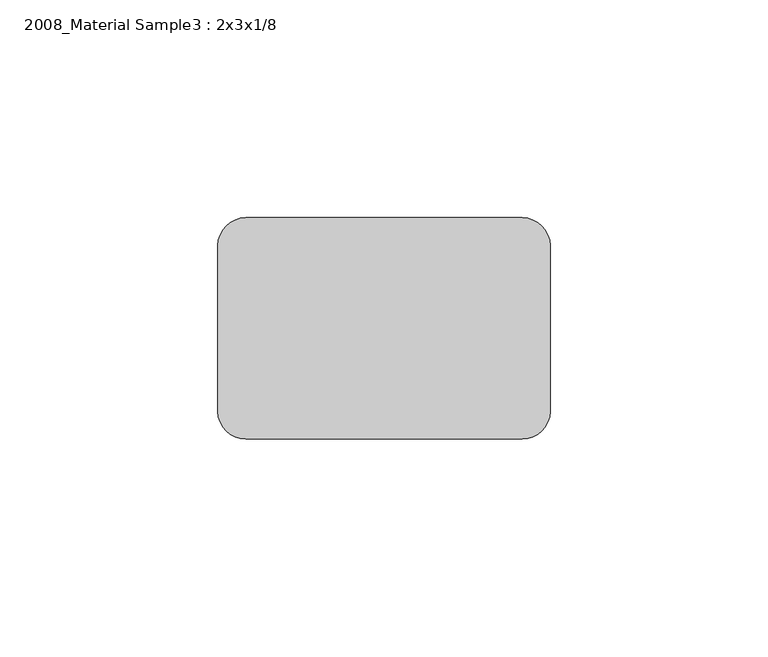
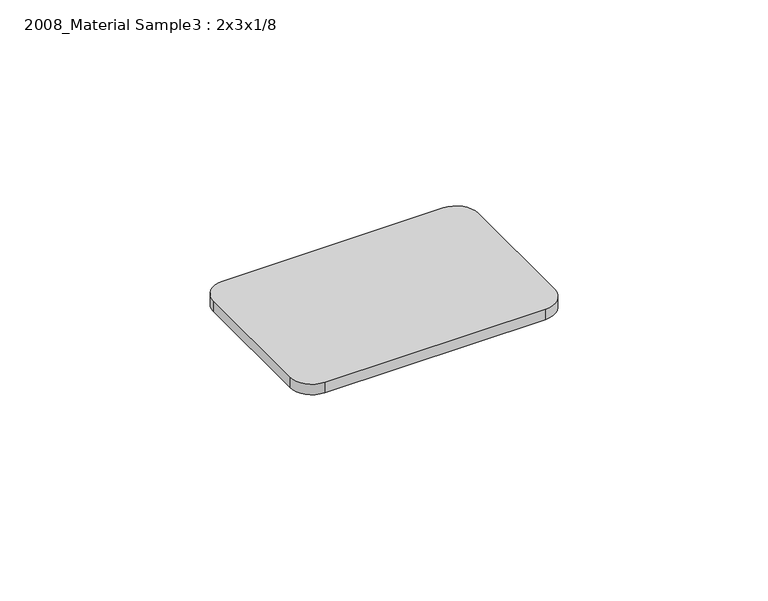
"""IFC4 building model written with IfcOpenShell, lengths in millimetres: furniture geometry, 2008_Material Sample3 : 2x3x1/8."""

from ifc_helpers import new_model, si_unit, point, frame, frame_2d, origin, place, context, project, spatial, polyline, circle_curve, trimmed, segment, composite_curve, outline, extrude, source, transform, mapped, element, save


def furniture_2008_material_sample3_2x3x1_8_86bb07f5(model_context):
    return source(origin(), model_context, "Body", "SweptSolid", [
        extrude(outline(composite_curve([segment(trimmed(circle_curve(frame_2d((21062.8392185, 10710.2982463)), 6.35), [point((21062.8392185, 10716.6482463))], [point((21069.1892185, 10710.2982463))], False, "CARTESIAN"), True, "CONTINUOUS"), segment(polyline([(21069.1892185, 10710.2982463), (21069.1892185, 10672.1982463)]), True, "CONTINUOUS"), segment(trimmed(circle_curve(frame_2d((21062.8392185, 10672.1982463)), 6.35), [point((21069.1892185, 10672.1982463))], [point((21062.8392185, 10665.8482463))], False, "CARTESIAN"), True, "CONTINUOUS"), segment(polyline([(21062.8392185, 10665.8482463), (20999.3392185, 10665.8482463)]), True, "CONTINUOUS"), segment(trimmed(circle_curve(frame_2d((20999.3392185, 10672.1982463)), 6.35), [point((20999.3392185, 10665.8482463))], [point((20992.9892185, 10672.1982463))], False, "CARTESIAN"), True, "CONTINUOUS"), segment(polyline([(20992.9892185, 10672.1982463), (20992.9892185, 10710.2982463)]), True, "CONTINUOUS"), segment(trimmed(circle_curve(frame_2d((20999.3392185, 10710.2982463)), 6.35), [point((20992.9892185, 10710.2982463))], [point((20999.3392185, 10716.6482463))], False, "CARTESIAN"), True, "CONTINUOUS"), segment(polyline([(20999.3392185, 10716.6482463), (21062.8392185, 10716.6482463)]), True, "CONTINUOUS")], self_intersect=False)), frame((0.0, 0.0, -3.175), z_axis=(0.0, 0.0, 1.0), x_axis=(1.0, 0.0, 0.0)), (0.0, 0.0, 1.0), 3.175),
    ])


if __name__ == "__main__":
    model = new_model("IFC4")
    model_context = context("Model", 3, world=origin())
    ifc_project = project(units=[si_unit("LENGTHUNIT", "METRE", prefix="MILLI")], contexts=[model_context])
    site = spatial("IfcSite", under=ifc_project)
    building = spatial("IfcBuilding", under=site)
    placement = place(None, origin())
    furniture_2008_material_sample3_2x3x1_8_shape = furniture_2008_material_sample3_2x3x1_8_86bb07f5(model_context)
    element("IfcFurniture", 1, ObjectType="2008_Material Sample3 : 2x3x1/8", at=placement, inside=building, context=model_context, shape_type="MappedRepresentation", body=[
        mapped(furniture_2008_material_sample3_2x3x1_8_shape, transform((0.0, 0.0, 0.0), x_axis=(1.0, 0.0, 0.0), y_axis=(0.0, 1.0, 0.0), z_axis=(0.0, 0.0, 1.0))),
    ])
    save(model, "model.ifc")
